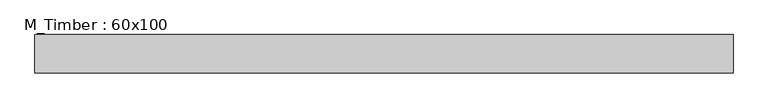
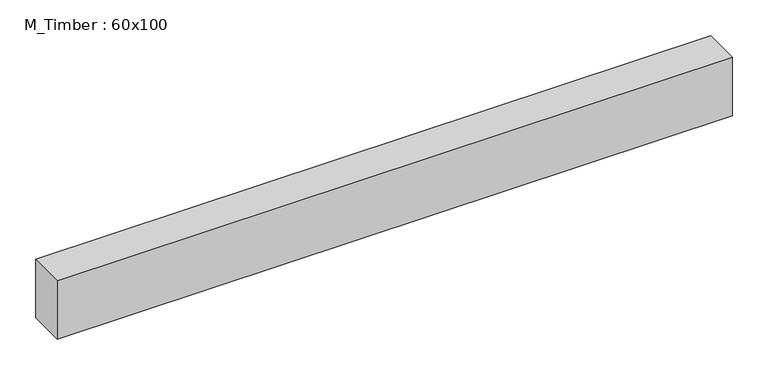
"""IFC4 building model written with IfcOpenShell, lengths in millimetres: beam geometry, M_Timber : 60x100."""

from ifc_helpers import new_model, si_unit, frame, origin, place, context, project, spatial, polyline, outline, extrude, source, transform, mapped, element, save


def m_timber_60x100_816a9aab(model_context):
    return source(origin(), model_context, "Body", "SweptSolid", [
        extrude(outline(polyline([(638.319941, 30.0), (638.319941, -30.0), (-451.927459, -30.0), (-451.927459, 30.0), (638.319941, 30.0)])), frame((0.0, 0.0, -50.0), z_axis=(0.0, 0.0, 1.0), x_axis=(1.0, 0.0, 0.0)), (0.0, 0.0, 1.0), 100.0),
    ])


if __name__ == "__main__":
    model = new_model("IFC4")
    model_context = context("Model", 3, world=origin())
    ifc_project = project(units=[si_unit("LENGTHUNIT", "METRE", prefix="MILLI")], contexts=[model_context])
    site = spatial("IfcSite", under=ifc_project)
    building = spatial("IfcBuilding", under=site)
    placement = place(None, origin())
    m_timber_60x100_shape = m_timber_60x100_816a9aab(model_context)
    element("IfcBeam", 1, ObjectType="M_Timber : 60x100", at=placement, inside=building, context=model_context, shape_type="MappedRepresentation", body=[
        mapped(m_timber_60x100_shape, transform((0.0, 0.0, 0.0), x_axis=(1.0, 0.0, 0.0), y_axis=(0.0, 1.0, 0.0), z_axis=(0.0, 0.0, 1.0))),
    ])
    save(model, "model.ifc")
